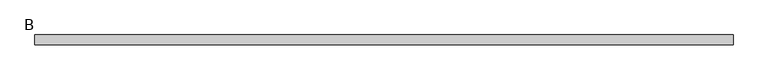
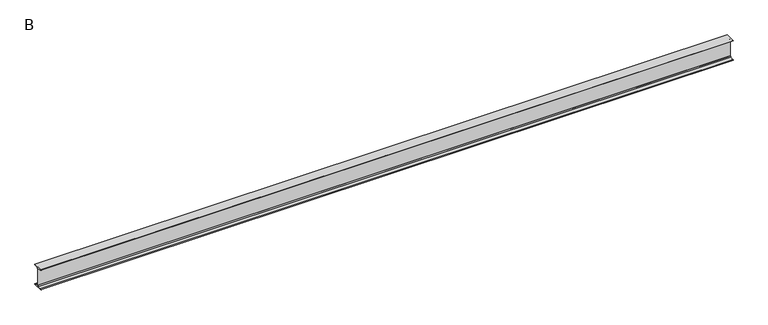
"""IFC4 building model written with IfcOpenShell, lengths in millimetres: beam geometry, B."""

from ifc_helpers import new_model, si_unit, point, frame, frame_2d, origin, place, context, project, spatial, polyline, circle_curve, trimmed, segment, composite_curve, outline, extrude, source, transform, mapped, element, save


def b_3eca93e9(model_context):
    return source(origin(), model_context, "Body", "SweptSolid", [
        extrude(outline(composite_curve([segment(polyline([(70.0, 150.0), (70.0, 147.6333953)]), True, "CONTINUOUS"), segment(trimmed(circle_curve(frame_2d((63.0, 147.6333953)), 7.0), [point((70.0, 147.6333953))], [point((63.9742117, 140.7015188))], False, "CARTESIAN"), True, "CONTINUOUS"), segment(polyline([(63.9742117, 140.7015188), (15.9015766, 133.9453505)]), True, "CONTINUOUS"), segment(trimmed(circle_curve(frame_2d((17.85, 120.0815976)), 14.0), [point((15.9015766, 133.9453505))], [point((3.85, 120.0815976))], True, "CARTESIAN"), True, "CONTINUOUS"), segment(polyline([(3.85, 120.0815976), (3.85, -120.0815976)]), True, "CONTINUOUS"), segment(trimmed(circle_curve(frame_2d((17.85, -120.0815976)), 14.0), [point((3.85, -120.0815976))], [point((15.9015766, -133.9453505))], True, "CARTESIAN"), True, "CONTINUOUS"), segment(polyline([(15.9015766, -133.9453505), (63.9742117, -140.7015188)]), True, "CONTINUOUS"), segment(trimmed(circle_curve(frame_2d((63.0, -147.6333953)), 7.0), [point((63.9742117, -140.7015188))], [point((70.0, -147.6333953))], False, "CARTESIAN"), True, "CONTINUOUS"), segment(polyline([(70.0, -147.6333953), (70.0, -150.0), (-70.0, -150.0), (-70.0, -147.6333953)]), True, "CONTINUOUS"), segment(trimmed(circle_curve(frame_2d((-63.0, -147.6333953)), 7.0), [point((-70.0, -147.6333953))], [point((-63.9742117, -140.7015188))], False, "CARTESIAN"), True, "CONTINUOUS"), segment(polyline([(-63.9742117, -140.7015188), (-15.9015766, -133.9453505)]), True, "CONTINUOUS"), segment(trimmed(circle_curve(frame_2d((-17.85, -120.0815976)), 14.0), [point((-15.9015766, -133.9453505))], [point((-3.85, -120.0815976))], True, "CARTESIAN"), True, "CONTINUOUS"), segment(polyline([(-3.85, -120.0815976), (-3.85, 120.0815976)]), True, "CONTINUOUS"), segment(trimmed(circle_curve(frame_2d((-17.85, 120.0815976)), 14.0), [point((-3.85, 120.0815976))], [point((-15.9015766, 133.9453505))], True, "CARTESIAN"), True, "CONTINUOUS"), segment(polyline([(-15.9015766, 133.9453505), (-63.9742117, 140.7015188)]), True, "CONTINUOUS"), segment(trimmed(circle_curve(frame_2d((-63.0, 147.6333953)), 7.0), [point((-63.9742117, 140.7015188))], [point((-70.0, 147.6333953))], False, "CARTESIAN"), True, "CONTINUOUS"), segment(polyline([(-70.0, 147.6333953), (-70.0, 150.0), (70.0, 150.0)]), True, "CONTINUOUS")], self_intersect=False)), frame((-4935.7, 0.0, 0.0), z_axis=(1.0, 0.0, 0.0), x_axis=(0.0, 1.0, 0.0)), (0.0, 0.0, 1.0), 9871.4),
    ])


if __name__ == "__main__":
    model = new_model("IFC4")
    model_context = context("Model", 3, world=origin())
    ifc_project = project(units=[si_unit("LENGTHUNIT", "METRE", prefix="MILLI")], contexts=[model_context])
    site = spatial("IfcSite", under=ifc_project)
    building = spatial("IfcBuilding", under=site)
    placement = place(None, origin())
    b_shape = b_3eca93e9(model_context)
    element("IfcBeam", 1, ObjectType="B", at=placement, inside=building, context=model_context, shape_type="MappedRepresentation", body=[
        mapped(b_shape, transform((0.0, 0.0, 0.0), x_axis=(1.0, 0.0, 0.0), y_axis=(0.0, 1.0, 0.0), z_axis=(0.0, 0.0, 1.0))),
    ])
    save(model, "model.ifc")
